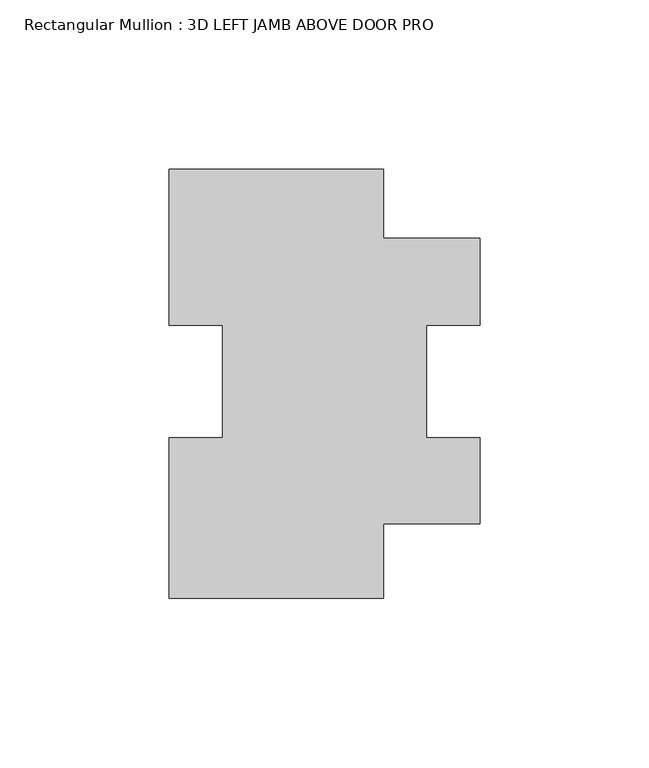
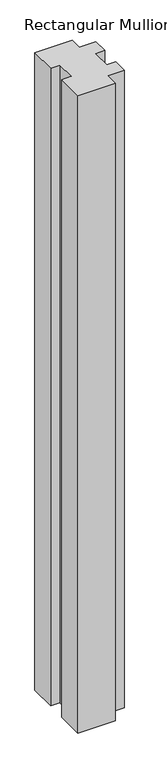
"""IFC4 building model written with IfcOpenShell, lengths in millimetres: member geometry, Rectangular Mullion : 3D LEFT JAMB ABOVE DOOR PRO."""

from ifc_helpers import new_model, si_unit, frame, origin, place, context, project, spatial, polyline, outline, extrude, source, transform, mapped, element, save


def rectangular_mullion_3d_left_jamb_above_door_pro_1a6b989f(model_context):
    return source(origin(), model_context, "Body", "SweptSolid", [
        extrude(outline(polyline([(31.75, -64.3019614), (-31.7499767, -64.3019614), (-31.7499767, -16.8429435), (-15.8749767, -16.8429435), (-15.8749767, 16.5440975), (-31.7499767, 16.5440975), (-31.7499767, 62.6980386), (31.75, 62.6980386), (31.75, 42.14943), (60.3251068, 42.14943), (60.3251068, 16.5154665), (44.4501068, 16.5154665), (44.4501068, -16.8475548), (60.3251068, -16.8475548), (60.3251068, -42.17857), (31.75, -42.17857), (31.75, -64.3019614)])), frame((0.0, 0.0, -1149.2035987), z_axis=(0.0, 0.0, 1.0), x_axis=(1.0, 0.0, 0.0)), (0.0, 0.0, 1.0), 1149.2035987),
    ])


if __name__ == "__main__":
    model = new_model("IFC4")
    model_context = context("Model", 3, world=origin())
    ifc_project = project(units=[si_unit("LENGTHUNIT", "METRE", prefix="MILLI")], contexts=[model_context])
    site = spatial("IfcSite", under=ifc_project)
    building = spatial("IfcBuilding", under=site)
    placement = place(None, origin())
    rectangular_mullion_3d_left_jamb_above_door_pro_shape = rectangular_mullion_3d_left_jamb_above_door_pro_1a6b989f(model_context)
    element("IfcMember", 1, ObjectType="Rectangular Mullion : 3D LEFT JAMB ABOVE DOOR PRO", at=placement, inside=building, context=model_context, shape_type="MappedRepresentation", body=[
        mapped(rectangular_mullion_3d_left_jamb_above_door_pro_shape, transform((0.0, 0.0, 0.0), x_axis=(1.0, 0.0, 0.0), y_axis=(0.0, 1.0, 0.0), z_axis=(0.0, 0.0, 1.0))),
    ])
    save(model, "model.ifc")
